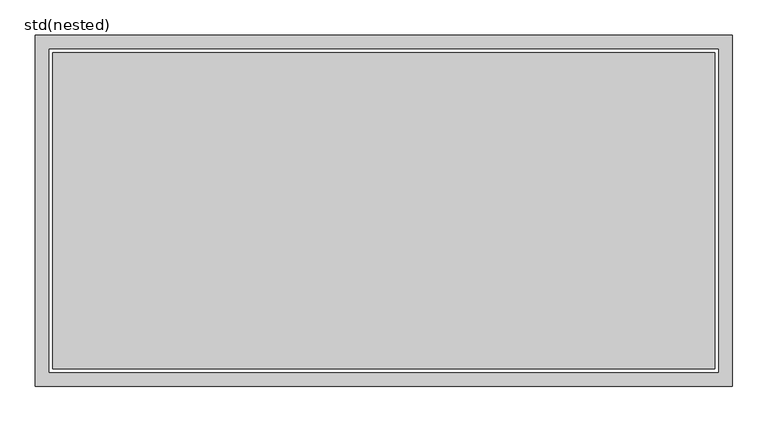
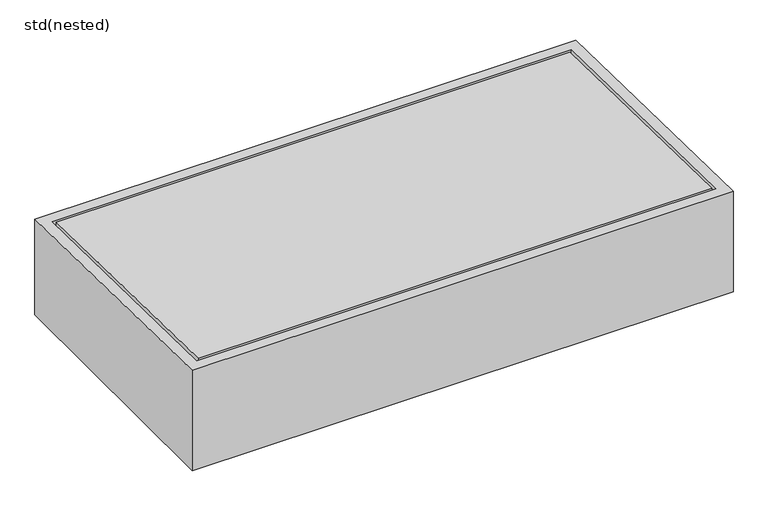
"""IFC4 building model written with IfcOpenShell, lengths in millimetres: sanitary terminal geometry, std(nested)."""

import ifcopenshell
import ifcopenshell.guid

model = None  # the IFC model being written
_history = None  # IfcOwnerHistory: only IFC2X3 demands one
_inside = {}  # id of a spatial element -> (the spatial element, [elements in it])
_under = {}  # id of a project, library or spatial element -> (it, [spatial elements below it])
_declared = {}  # id of a project -> (the project, [libraries it declares])
_typed = {}  # id of a type object -> (the type object, [elements of that type])
_made_of = {}  # id of a material, layer set ... -> (it, [elements and type objects made of it])


def new_model(schema):
    """Start an empty IFC model of exactly this schema.

    Asked for "IFC4X3", IfcOpenShell would pick the latest addendum, in which some entities
    have other attributes; the version numbers below select the first issue.
    IFC2X3 requires an IfcOwnerHistory on every rooted entity: one is made here for all.
    """
    global model, _history
    if schema == "IFC4X3":
        model = ifcopenshell.file(schema_version=(4, 3, 0, 0))
    else:
        model = ifcopenshell.file(schema=schema)
    _inside.clear()
    _under.clear()
    _declared.clear()
    _typed.clear()
    _made_of.clear()
    _history = None
    if model.schema == "IFC2X3":
        org = make("IfcOrganization", Name="unknown")
        user = make(
            "IfcPersonAndOrganization",
            ThePerson=make("IfcPerson", FamilyName="unknown"),
            TheOrganization=org,
        )
        app = make(
            "IfcApplication",
            ApplicationDeveloper=org,
            Version="unknown",
            ApplicationFullName="unknown",
            ApplicationIdentifier="unknown",
        )
        _history = make(
            "IfcOwnerHistory",
            OwningUser=user,
            OwningApplication=app,
            ChangeAction="ADDED",
            CreationDate=0,
        )
    return model


def make(cls, **values):
    """One entity of the class cls with the attributes given. An attribute that is None is left unset."""
    return model.create_entity(
        cls, **{name: value for name, value in values.items() if value is not None}
    )


def rooted(cls, **values):
    """An entity with a GlobalId (a new one), such as an element, a storey or a relation."""
    return make(cls, GlobalId=ifcopenshell.guid.new(), OwnerHistory=_history, **values)


def si_unit(unit_type, name, prefix=None):
    """IfcSIUnit, for example si_unit("LENGTHUNIT", "METRE", prefix="MILLI")."""
    return make("IfcSIUnit", UnitType=unit_type, Prefix=prefix, Name=name)


def assignment(units):
    """IfcUnitAssignment: the units of a project."""
    return None if units is None else make("IfcUnitAssignment", Units=units)


def point(xyz):
    """IfcCartesianPoint."""
    return None if xyz is None else make("IfcCartesianPoint", Coordinates=xyz)


def direction(xyz):
    """IfcDirection."""
    return None if xyz is None else make("IfcDirection", DirectionRatios=xyz)


def frame(location, z_axis=None, x_axis=None):
    """IfcAxis2Placement3D, a coordinate frame: its origin and axes. An axis left out is left unset."""
    return make(
        "IfcAxis2Placement3D",
        Location=point(location),
        Axis=direction(z_axis),
        RefDirection=direction(x_axis),
    )


def frame_2d(location, x_axis=None):
    """IfcAxis2Placement2D, a coordinate frame in the plane: its origin and x axis."""
    return make(
        "IfcAxis2Placement2D", Location=point(location), RefDirection=direction(x_axis)
    )


def origin():
    """The frame at (0, 0, 0) with its axes left unset."""
    return frame((0.0, 0.0, 0.0))


def place(relative_to, where):
    """IfcLocalPlacement: puts the frame where relative to a parent placement (None: the world)."""
    return make(
        "IfcLocalPlacement", PlacementRelTo=relative_to, RelativePlacement=where
    )


def context(
    kind, dimensions, precision=None, world=None, true_north=None, identifier=None
):
    """IfcGeometricRepresentationContext, for example the 3D "Model" context."""
    return make(
        "IfcGeometricRepresentationContext",
        ContextIdentifier=identifier,
        ContextType=kind,
        CoordinateSpaceDimension=dimensions,
        Precision=precision,
        WorldCoordinateSystem=world,
        TrueNorth=true_north,
    )


def project(units=None, contexts=None):
    """IfcProject with its units and contexts."""
    return rooted(
        "IfcProject",
        Name="project",
        RepresentationContexts=contexts,
        UnitsInContext=assignment(units),
    )


def spatial(cls, under=None, at=None, **own):
    """A site, building, storey or space (cls), placed at a placement, below another one or the project."""
    s = rooted(cls, ObjectPlacement=at, **own)
    if under is not None:
        _under.setdefault(under.id(), (under, []))[1].append(s)
    return s


def polyline(points):
    """IfcPolyline through the points."""
    return make("IfcPolyline", Points=[point(p) for p in points])


def circle_curve(where, radius):
    """IfcCircle in the frame where."""
    return make("IfcCircle", Position=where, Radius=radius)


def trimmed(basis, trim1, trim2, sense, master):
    """IfcTrimmedCurve: the piece of a basis curve between two trims."""
    return make(
        "IfcTrimmedCurve",
        BasisCurve=basis,
        Trim1=trim1,
        Trim2=trim2,
        SenseAgreement=sense,
        MasterRepresentation=master,
    )


def segment(curve, same_sense, transition):
    """IfcCompositeCurveSegment."""
    return make(
        "IfcCompositeCurveSegment",
        Transition=transition,
        SameSense=same_sense,
        ParentCurve=curve,
    )


def composite_curve(segments, self_intersect=None):
    """IfcCompositeCurve: segments joined end to end."""
    return make("IfcCompositeCurve", Segments=segments, SelfIntersect=self_intersect)


def outline(outer, holes=None, kind="AREA"):
    """IfcArbitraryClosedProfileDef: a profile drawn as a closed curve; with holes, ...WithVoids."""
    if holes is None:
        return make("IfcArbitraryClosedProfileDef", ProfileType=kind, OuterCurve=outer)
    return make(
        "IfcArbitraryProfileDefWithVoids",
        ProfileType=kind,
        OuterCurve=outer,
        InnerCurves=holes,
    )


def extrude(swept, where, along, depth):
    """IfcExtrudedAreaSolid: the profile swept, set in the frame where, extruded along a direction by depth."""
    return make(
        "IfcExtrudedAreaSolid",
        SweptArea=swept,
        Position=where,
        ExtrudedDirection=direction(along),
        Depth=depth,
    )


def faces_of(points, faces, orient=None, outer=None):
    """IfcFace entities. A face is a list of loops; a loop is a list of indices into points, from 0.

    orient and outer hold one flag for each loop. By default every Orientation is true, the
    first loop of a face is its IfcFaceOuterBound and the others are IfcFaceBound.
    """
    made = []
    for i, loops in enumerate(faces):
        bounds = []
        for j, loop in enumerate(loops):
            is_outer = j == 0 if outer is None else outer[i][j]
            bounds.append(
                make(
                    "IfcFaceOuterBound" if is_outer else "IfcFaceBound",
                    Bound=make("IfcPolyLoop", Polygon=[points[k] for k in loop]),
                    Orientation=True if orient is None else orient[i][j],
                )
            )
        made.append(make("IfcFace", Bounds=bounds))
    return made


def faceted_brep(points, faces, orient=None, outer=None, voids=None):
    """IfcFacetedBrep: a solid bounded by flat faces; with voids (closed shells), ...WithVoids."""
    shared = [point(p) for p in points]
    hull = make("IfcClosedShell", CfsFaces=faces_of(shared, faces, orient, outer))
    if voids is None:
        return make("IfcFacetedBrep", Outer=hull)
    return make(
        "IfcFacetedBrepWithVoids",
        Outer=hull,
        Voids=[
            make(cls, CfsFaces=faces_of(shared, fs, o, b)) for cls, fs, o, b in voids
        ],
    )


def shape(context_of_items, identifier, shape_type, items):
    """IfcShapeRepresentation: the items that make up one representation, for example the "Body"."""
    return make(
        "IfcShapeRepresentation",
        ContextOfItems=context_of_items,
        RepresentationIdentifier=identifier,
        RepresentationType=shape_type,
        Items=items,
    )


def source(mapping_origin, context_of_items, identifier, shape_type, items):
    """IfcRepresentationMap: a shape defined once, which mapped items show again and again."""
    return make(
        "IfcRepresentationMap",
        MappingOrigin=mapping_origin,
        MappedRepresentation=shape(context_of_items, identifier, shape_type, items),
    )


def transform(
    local_origin,
    x_axis=None,
    y_axis=None,
    z_axis=None,
    scale=None,
    scale2=None,
    scale3=None,
    uniform=True,
):
    """IfcCartesianTransformationOperator3D, or its non-uniform kind. x_axis, y_axis, z_axis: its Axis1, 2, 3."""
    if uniform:
        return make(
            "IfcCartesianTransformationOperator3D",
            Axis1=direction(x_axis),
            Axis2=direction(y_axis),
            LocalOrigin=point(local_origin),
            Scale=scale,
            Axis3=direction(z_axis),
        )
    return make(
        "IfcCartesianTransformationOperator3DnonUniform",
        Axis1=direction(x_axis),
        Axis2=direction(y_axis),
        LocalOrigin=point(local_origin),
        Scale=scale,
        Axis3=direction(z_axis),
        Scale2=scale2,
        Scale3=scale3,
    )


def mapped(mapping_source, mapping_target):
    """IfcMappedItem: shows the shape of a source again, moved by a transform."""
    return make(
        "IfcMappedItem", MappingSource=mapping_source, MappingTarget=mapping_target
    )


def made_of(thing, what):
    """Note that an element or type object is made of a material, layer set ...; save() writes the relation."""
    if what is not None:
        _made_of.setdefault(what.id(), (what, []))[1].append(thing)
    return thing


def element(
    cls,
    number,
    at=None,
    inside=None,
    cuts=None,
    type_object=None,
    material=None,
    context=None,
    identifier="Body",
    shape_type=None,
    held_by="IfcProductDefinitionShape",
    body=None,
    shapes=None,
    **own,
):
    """One element of the class cls, such as IfcWall. Its Tag is "e" and its number.

    at: its placement. inside: the storey or other place that contains it. cuts: it is an
    opening in that element (IfcRelVoidsElement). A single representation is given by context,
    identifier, shape_type and body (its items); several are given by shapes. held_by: the class
    of the entity that holds the representations. save() writes the other relations.
    """
    e = rooted(cls, Tag="e%d" % number, ObjectPlacement=at, **own)
    if body is not None:
        shapes = [shape(context, identifier, shape_type, body)]
    if shapes is not None:
        e.Representation = make(held_by, Representations=shapes)
    if inside is not None:
        _inside.setdefault(inside.id(), (inside, []))[1].append(e)
    if cuts is not None:
        rooted(
            "IfcRelVoidsElement", RelatingBuildingElement=cuts, RelatedOpeningElement=e
        )
    if type_object is not None:
        _typed.setdefault(type_object.id(), (type_object, []))[1].append(e)
    return made_of(e, material)


def aggregate(whole, parts):
    """IfcRelAggregates: a whole, such as a stair, and the parts it consists of."""
    return rooted("IfcRelAggregates", RelatingObject=whole, RelatedObjects=parts)


def save(model, path):
    """Write the relations noted so far, then the file.

    IfcRelAggregates (storeys below a building ...), IfcRelContainedInSpatialStructure (elements
    in a storey), IfcRelDefinesByType, IfcRelAssociatesMaterial and IfcRelDeclares: one each for
    every whole, place, type object, material and project.
    """
    for whole, parts in _under.values():
        aggregate(whole, parts)
    for where, things in _inside.values():
        rooted(
            "IfcRelContainedInSpatialStructure",
            RelatedElements=things,
            RelatingStructure=where,
        )
    for kind, things in _typed.values():
        rooted("IfcRelDefinesByType", RelatedObjects=things, RelatingType=kind)
    for what, things in _made_of.values():
        rooted("IfcRelAssociatesMaterial", RelatedObjects=things, RelatingMaterial=what)
    for by, libraries in _declared.values():
        rooted("IfcRelDeclares", RelatingContext=by, RelatedDefinitions=libraries)
    model.write(path)


def plane_surface(at):
    """IfcPlane: the flat surface through the origin of the frame at, square to its z axis."""
    return make("IfcPlane", Position=at)


def revolved_surface(curve, axis_point, axis_direction):
    """IfcSurfaceOfRevolution: the curve turned about the line through axis_point along axis_direction."""
    return make(
        "IfcSurfaceOfRevolution",
        SweptCurve=make("IfcArbitraryOpenProfileDef", ProfileType="CURVE", Curve=curve),
        AxisPosition=make("IfcAxis1Placement", Location=point(axis_point), Axis=direction(axis_direction)),
    )


def advanced_brep(points, edges, surfaces, faces):
    """IfcAdvancedBrep: a solid bounded by faces that lie on surfaces and meet in shared edges.

    An edge is (start, end): straight between two places in points (the first is 0);
    or (start, end, curve); or (start, end, curve, False) where it runs against its curve.
    A face is (place in surfaces, loops), or (place, loops, False) where it looks against
    its surface's normal. A loop lists edges by number (the first is 1), with a minus sign
    where the edge is run from its end to its start. The first loop is the outer one.
    """
    corners = [point(p) for p in points]
    vertices = [make("IfcVertexPoint", VertexGeometry=c) for c in corners]
    made = []
    for start, end, *more in edges:
        made.append(
            make(
                "IfcEdgeCurve",
                EdgeStart=vertices[start],
                EdgeEnd=vertices[end],
                EdgeGeometry=more[0] if more else make("IfcPolyline", Points=[corners[start], corners[end]]),
                SameSense=more[1] if len(more) > 1 else True,
            )
        )
    hull = []
    for where, loops, *sense in faces:
        bounds = []
        for j, loop in enumerate(loops):
            ring = [make("IfcOrientedEdge", EdgeElement=made[abs(k) - 1], Orientation=k > 0) for k in loop]
            bounds.append(
                make(
                    "IfcFaceOuterBound" if j == 0 else "IfcFaceBound",
                    Bound=make("IfcEdgeLoop", EdgeList=ring),
                    Orientation=True,
                )
            )
        hull.append(make("IfcAdvancedFace", Bounds=bounds, FaceSurface=surfaces[where], SameSense=sense[0] if sense else True))
    return make("IfcAdvancedBrep", Outer=make("IfcClosedShell", CfsFaces=hull))


def std_nested_32f84ede(model_context):
    return source(origin(), model_context, "Body", "SolidModel", [
        extrude(outline(composite_curve([segment(trimmed(circle_curve(frame_2d((248.0, 0.0)), 195.0), [point((53.0, 0.0))], [point((443.0, 0.0))], False, "CARTESIAN"), True, "CONTINUOUS"), segment(trimmed(circle_curve(frame_2d((248.0, 0.0)), 195.0), [point((443.0, 0.0))], [point((53.0, 0.0))], False, "CARTESIAN"), True, "CONTINUOUS")], self_intersect=False), holes=[composite_curve([segment(trimmed(circle_curve(frame_2d((248.0, 0.0)), 175.0), [point((73.0, 0.0))], [point((423.0, 0.0))], True, "CARTESIAN"), True, "CONTINUOUS"), segment(trimmed(circle_curve(frame_2d((248.0, 0.0)), 175.0), [point((423.0, 0.0))], [point((73.0, 0.0))], True, "CARTESIAN"), True, "CONTINUOUS")], self_intersect=False)]), frame((0.0, 0.0, -195.0), z_axis=(0.0, 0.0, 1.0), x_axis=(1.0, 0.0, 0.0)), (0.0, 0.0, 1.0), 40.0),
        faceted_brep([(496.0, 250.0, -195.0), (496.0, 250.0, -10.0), (496.0, -250.0, 0.0), (496.0, -250.0, -195.0), (-496.0, 250.0, -195.0), (-496.0, -250.0, -195.0), (-496.0, -250.0, 0.0), (-496.0, 250.0, -10.0), (-476.0, 230.0, -9.6), (476.0, 230.0, -9.6), (476.0, -230.0, -0.4), (-476.0, -230.0, -0.4), (476.0, 230.0, -195.0), (-476.0, 230.0, -195.0), (-476.0, -230.0, -195.0), (476.0, -230.0, -195.0)], [[[0, 1, 2, 3]], [[4, 5, 6, 7]], [[1, 0, 4, 7]], [[2, 1, 7, 6], [8, 9, 10, 11]], [[3, 2, 6, 5]], [[0, 3, 5, 4], [12, 13, 14, 15]], [[12, 9, 8, 13]], [[13, 8, 11, 14]], [[14, 11, 10, 15]], [[9, 12, 15, 10]]]),
        advanced_brep(
        [(471.0, -225.0, -0.5), (471.0, 225.0, -9.5), (-471.0, 225.0, -9.5), (-471.0, -225.0, -0.5), (471.0, 225.0, -195.0), (471.0, -225.0, -195.0), (-471.0, -225.0, -195.0), (-471.0, 225.0, -195.0), (53.0, 0.0, -195.0), (443.0, 0.0, -195.0), (53.0, 0.0, -155.0), (443.0, 0.0, -155.0)],
        [
            (0, 1),
            (1, 2),
            (2, 3),
            (3, 0),
            (4, 5),
            (5, 6),
            (6, 7),
            (7, 4),
            (8, 9, circle_curve(frame((248.0, 0.0, -195.0), z_axis=(0.0, 0.0, 1.0), x_axis=(1.0, 0.0, 0.0)), 195.0)),
            (9, 8, circle_curve(frame((248.0, 0.0, -195.0), z_axis=(0.0, 0.0, 1.0), x_axis=(1.0, 0.0, 0.0)), 195.0)),
            (4, 1),
            (0, 5),
            (3, 6),
            (2, 7),
            (10, 11, circle_curve(frame((248.0, 0.0, -155.0), z_axis=(0.0, 0.0, -1.0), x_axis=(1.0, 0.0, 0.0)), 195.0)),
            (11, 10, circle_curve(frame((248.0, 0.0, -155.0), z_axis=(0.0, 0.0, -1.0), x_axis=(1.0, 0.0, 0.0)), 195.0)),
            (11, 9),
            (8, 10),
        ],
        [
            plane_surface(frame((496.0, 250.0, -10.0), z_axis=(0.0, 0.019996001199600155, 0.999800059980007), x_axis=(-1.0, 0.0, 0.0))),
            plane_surface(frame((496.0, -250.0, -195.0), z_axis=(0.0, 0.0, -1.0), x_axis=(-1.0, 0.0, 0.0))),
            plane_surface(frame((471.0, 225.0, 1.0), z_axis=(1.0, 0.0, 0.0), x_axis=(0.0, 0.0, -1.0))),
            plane_surface(frame((471.0, -225.0, 1.0), z_axis=(0.0, -1.0, 0.0), x_axis=(0.0, 0.0, -1.0))),
            plane_surface(frame((-471.0, -225.0, 1.0), z_axis=(-1.0, 0.0, 0.0), x_axis=(0.0, 0.0, -1.0))),
            plane_surface(frame((-471.0, 225.0, 1.0), z_axis=(0.0, 1.0, 0.0), x_axis=(0.0, 0.0, -1.0))),
            plane_surface(frame((443.0, 0.0, -155.0), z_axis=(0.0, 0.0, -1.0), x_axis=(0.0, 1.0, 0.0))),
            revolved_surface(polyline([(443.0, 0.0, -155.0), (443.0, 0.0, -195.0)]), (248.0, 0.0, -195.0), (0.0, 0.0, 1.0)),
        ],
        [
            (0, [[1, 2, 3, 4]]),
            (1, [[5, 6, 7, 8], [9, 10]]),
            (2, [[11, -1, 12, -5]]),
            (3, [[-12, -4, 13, -6]]),
            (4, [[-13, -3, 14, -7]]),
            (5, [[-11, -8, -14, -2]]),
            (6, [[15, 16]]),
            (7, [[-16, 17, -9, 18]]),
            (7, [[-15, -18, -10, -17]]),
        ],
    ),
    ])


if __name__ == "__main__":
    model = new_model("IFC4")
    model_context = context("Model", 3, world=origin())
    ifc_project = project(units=[si_unit("LENGTHUNIT", "METRE", prefix="MILLI")], contexts=[model_context])
    site = spatial("IfcSite", under=ifc_project)
    building = spatial("IfcBuilding", under=site)
    placement = place(None, origin())
    std_nested_shape = std_nested_32f84ede(model_context)
    element("IfcSanitaryTerminal", 1, ObjectType="std(nested)", at=placement, inside=building, context=model_context, shape_type="MappedRepresentation", body=[
        mapped(std_nested_shape, transform((0.0, 0.0, 0.0), x_axis=(1.0, 0.0, 0.0), y_axis=(0.0, 1.0, 0.0), z_axis=(0.0, 0.0, 1.0))),
    ])
    save(model, "model.ifc")
